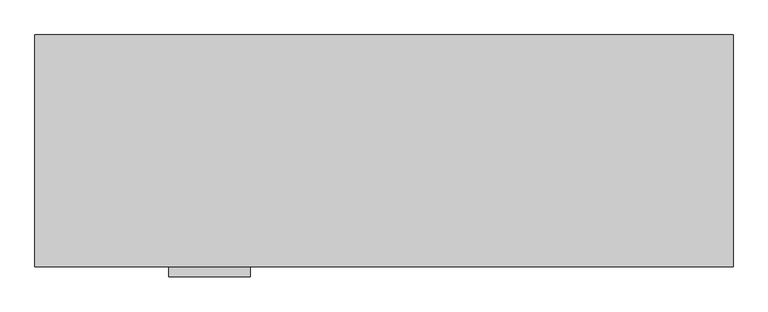
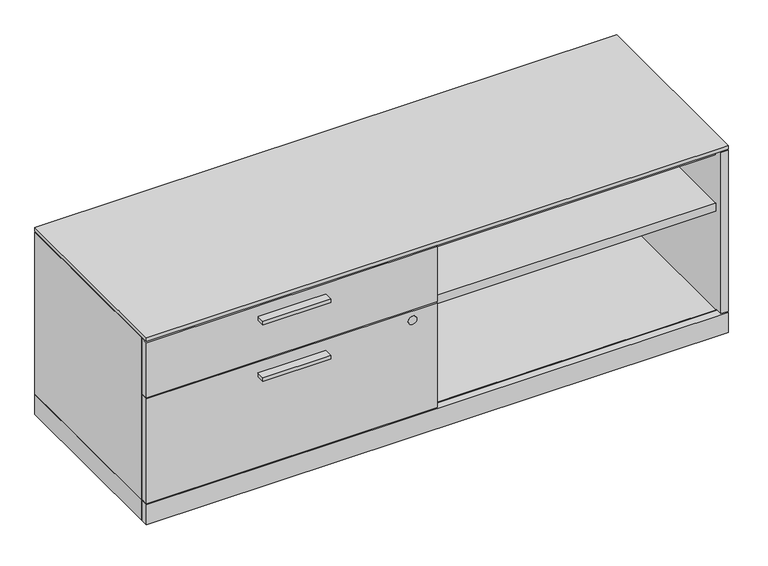
"""IFC4 building model written with IfcOpenShell, lengths in millimetres: furniture geometry."""

from ifc_helpers import new_model, si_unit, point, frame, frame_2d, origin, origin_with_axes, place, context, project, spatial, polyline, circle_curve, trimmed, segment, composite_curve, outline, extrude, faceted_brep, source, transform, mapped, element, save


def furniture_b3fcdebd(model_context):
    return source(origin(), model_context, "Body", "SolidModel", [
        extrude(outline(polyline([(470.69375, -528.574), (292.89375, -528.574), (292.89375, -506.349), (470.69375, -506.349), (470.69375, -528.574)])), frame((0.0, 0.0, 312.1914), z_axis=(0.0, 0.0, 1.0), x_axis=(1.0, 0.0, 0.0)), (0.0, 0.0, 1.0), 9.525),
        extrude(outline(polyline([(470.69375, -528.574), (292.89375, -528.574), (292.89375, -506.349), (470.69375, -506.349), (470.69375, -528.574)])), frame((0.0, 0.0, 468.1474), z_axis=(0.0, 0.0, 1.0), x_axis=(1.0, 0.0, 0.0)), (0.0, 0.0, 1.0), 9.525),
        extrude(outline(polyline([(1522.4125, -1.524), (1522.4125, -483.2858), (1.5875, -483.2858), (1.5875, -1.524), (1522.4125, -1.524)])), frame((0.0, 0.0, 3.5814), z_axis=(0.0, 0.0, 1.0), x_axis=(1.0, 0.0, 0.0)), (0.0, 0.0, 1.0), 55.1688),
        extrude(outline(polyline([(1522.4125, -487.045), (1522.4125, -506.349), (1.5875, -506.349), (1.5875, -487.045), (1522.4125, -487.045)])), frame((0.0, 0.0, 3.5814), z_axis=(0.0, 0.0, 1.0), x_axis=(1.0, 0.0, 0.0)), (0.0, 0.0, 1.0), 55.1688),
        extrude(outline(polyline([(764.2098, -20.828), (1503.1085, -20.828), (1503.1085, -483.2858), (764.2098, -483.2858), (764.2098, -20.828)])), frame((0.0, 0.0, 331.4446), z_axis=(0.0, 0.0, 1.0), x_axis=(1.0, 0.0, 0.0)), (0.0, 0.0, 1.0), 22.225),
        extrude(outline(polyline([(739.775, -20.828), (764.2098, -20.828), (764.2098, -483.2858), (739.775, -483.2858), (739.775, -20.828)])), frame((0.0, 0.0, 58.7502), z_axis=(0.0, 0.0, 1.0), x_axis=(1.0, 0.0, 0.0)), (0.0, 0.0, 1.0), 429.3362),
        extrude(outline(composite_curve([segment(trimmed(circle_curve(frame_2d((326.0344, 697.33668)), 11.176), [point((326.0344, 708.51268))], [point((326.0344, 686.16068))], False, "CARTESIAN"), True, "CONTINUOUS"), segment(trimmed(circle_curve(frame_2d((326.0344, 697.33668)), 11.176), [point((326.0344, 686.16068))], [point((326.0344, 708.51268))], False, "CARTESIAN"), True, "CONTINUOUS")], self_intersect=False)), frame((0.0, -506.603, 0.0), z_axis=(0.0, 1.0, 0.0), x_axis=(0.0, 0.0, 1.0)), (0.0, 0.0, 1.0), 4.69392),
        extrude(outline(polyline([(762.0, -487.045), (762.0, -506.349), (1.5875, -506.349), (1.5875, -487.045), (762.0, -487.045)])), frame((0.0, 0.0, 61.9252), z_axis=(0.0, 0.0, 1.0), x_axis=(1.0, 0.0, 0.0)), (0.0, 0.0, 1.0), 289.5092),
        extrude(outline(polyline([(762.0, -487.045), (762.0, -506.349), (1.5875, -506.349), (1.5875, -487.045), (762.0, -487.045)])), frame((0.0, 0.0, 354.6094), z_axis=(0.0, 0.0, 1.0), x_axis=(1.0, 0.0, 0.0)), (0.0, 0.0, 1.0), 152.781),
        extrude(outline(polyline([(46.1772, -27.7114), (61.8363, -36.7521856), (61.8363, -54.8337568), (46.1772, -63.8745424), (30.5181, -54.8337568), (30.5181, -36.7521856), (46.1772, -27.7114)])), origin_with_axes(), (0.0, 0.0, 1.0), 8.4328),
        extrude(outline(polyline([(46.1772, -480.1616), (30.5181, -471.1208144), (30.5181, -453.0392432), (46.1772, -443.9984576), (61.8363, -453.0392432), (61.8363, -471.1208144), (46.1772, -480.1616)])), origin_with_axes(), (0.0, 0.0, 1.0), 8.4328),
        extrude(outline(polyline([(1477.8228, -27.7114), (1493.4819, -36.7521856), (1493.4819, -54.8337568), (1477.8228, -63.8745424), (1462.1637, -54.8337568), (1462.1637, -36.7521856), (1477.8228, -27.7114)])), origin_with_axes(), (0.0, 0.0, 1.0), 8.4328),
        extrude(outline(polyline([(1477.8228, -480.1616), (1462.1637, -471.1208144), (1462.1637, -453.0392432), (1477.8228, -443.9984576), (1493.4819, -453.0392432), (1493.4819, -471.1208144), (1477.8228, -480.1616)])), origin_with_axes(), (0.0, 0.0, 1.0), 8.4328),
        extrude(outline(polyline([(1522.4125, -506.349), (1.5875, -506.349), (1.5875, -1.524), (1522.4125, -1.524), (1522.4125, -506.349)])), frame((0.0, 0.0, 510.5654), z_axis=(0.0, 0.0, 1.0), x_axis=(1.0, 0.0, 0.0)), (0.0, 0.0, 1.0), 9.75868),
        faceted_brep([(1522.4125, -506.349, 507.3904), (1503.1085, -506.349, 507.3904), (1503.1085, -506.349, 61.9252), (1522.4125, -506.349, 61.9252), (1522.4125, -1.524, 507.3904), (1522.4125, -1.524, 58.7502), (1.5875, -1.524, 58.7502), (1.5875, -1.524, 507.3904), (1.5875, -483.2858, 507.3904), (1503.1085, -483.2858, 507.3904), (1.5875, -483.2858, 58.7502), (1.5875, -483.2858, 61.9252), (1522.4125, -483.2858, 61.9252), (1522.4125, -483.2858, 58.7502), (1503.1085, -20.828, 488.0864), (20.8915, -20.828, 488.0864), (20.8915, -20.828, 58.7502), (1503.1085, -20.828, 58.7502), (1503.1085, -483.2858, 488.0864), (20.8915, -483.2858, 488.0864), (20.8915, -483.2858, 61.9252), (20.8915, -483.2858, 58.7502), (1503.1085, -483.2858, 58.7502), (1503.1085, -483.2858, 61.9252)], [[[0, 1, 2, 3]], [[4, 5, 6, 7]], [[4, 7, 8, 9, 1, 0]], [[7, 6, 10, 11, 8]], [[5, 4, 0, 3, 12, 13]], [[14, 15, 16, 17]], [[15, 14, 18, 19]], [[16, 15, 19, 20, 21]], [[14, 17, 22, 23, 2, 1, 9, 18]], [[18, 9, 8, 11, 10, 21, 20, 19]], [[12, 23, 22, 13]], [[23, 12, 3, 2]], [[6, 5, 13, 22, 17, 16, 21, 10]]]),
    ])


if __name__ == "__main__":
    model = new_model("IFC4")
    model_context = context("Model", 3, world=origin())
    ifc_project = project(units=[si_unit("LENGTHUNIT", "METRE", prefix="MILLI")], contexts=[model_context])
    site = spatial("IfcSite", under=ifc_project)
    building = spatial("IfcBuilding", under=site)
    placement = place(None, origin())
    furniture_shape = furniture_b3fcdebd(model_context)
    element("IfcFurniture", 1, at=placement, inside=building, context=model_context, shape_type="MappedRepresentation", body=[
        mapped(furniture_shape, transform((0.0, 0.0, 0.0), x_axis=(1.0, 0.0, 0.0), y_axis=(0.0, 1.0, 0.0), z_axis=(0.0, 0.0, 1.0))),
    ])
    save(model, "model.ifc")
